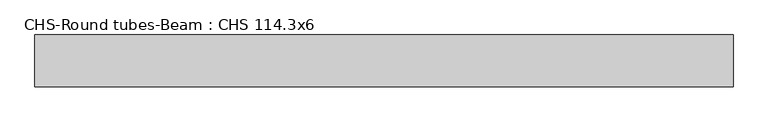
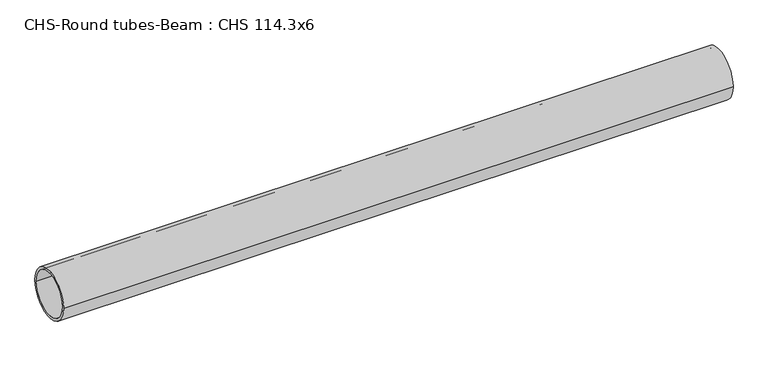
"""IFC4 building model written with IfcOpenShell, lengths in millimetres: beam geometry, CHS-Round tubes-Beam : CHS 114.3x6."""

from ifc_helpers import new_model, si_unit, point, frame, origin, origin_2d, place, context, project, spatial, circle_curve, trimmed, segment, composite_curve, outline, extrude, source, transform, mapped, element, save


def chs_round_tubes_beam_chs_114_3x6_29d522f4(model_context):
    return source(origin(), model_context, "Body", "SweptSolid", [
        extrude(outline(composite_curve([segment(trimmed(circle_curve(origin_2d(), 57.15), [point((57.15, 0.0))], [point((-57.15, 0.0))], False, "CARTESIAN"), True, "CONTINUOUS"), segment(trimmed(circle_curve(origin_2d(), 57.15), [point((-57.15, 0.0))], [point((57.15, 0.0))], False, "CARTESIAN"), True, "CONTINUOUS")], self_intersect=False), holes=[composite_curve([segment(trimmed(circle_curve(origin_2d(), 51.15), [point((51.15, 0.0))], [point((-51.15, 0.0))], True, "CARTESIAN"), True, "CONTINUOUS"), segment(trimmed(circle_curve(origin_2d(), 51.15), [point((-51.15, 0.0))], [point((51.15, 0.0))], True, "CARTESIAN"), True, "CONTINUOUS")], self_intersect=False)]), frame((-736.7252375, 0.0, 0.0), z_axis=(1.0, 0.0, 0.0), x_axis=(0.0, 1.0, 0.0)), (0.0, 0.0, 1.0), 1539.8885583),
    ])


if __name__ == "__main__":
    model = new_model("IFC4")
    model_context = context("Model", 3, world=origin())
    ifc_project = project(units=[si_unit("LENGTHUNIT", "METRE", prefix="MILLI")], contexts=[model_context])
    site = spatial("IfcSite", under=ifc_project)
    building = spatial("IfcBuilding", under=site)
    placement = place(None, origin())
    chs_round_tubes_beam_chs_114_3x6_shape = chs_round_tubes_beam_chs_114_3x6_29d522f4(model_context)
    element("IfcBeam", 1, ObjectType="CHS-Round tubes-Beam : CHS 114.3x6", at=placement, inside=building, context=model_context, shape_type="MappedRepresentation", body=[
        mapped(chs_round_tubes_beam_chs_114_3x6_shape, transform((0.0, 0.0, 0.0), x_axis=(1.0, 0.0, 0.0), y_axis=(0.0, 1.0, 0.0), z_axis=(0.0, 0.0, 1.0))),
    ])
    save(model, "model.ifc")
